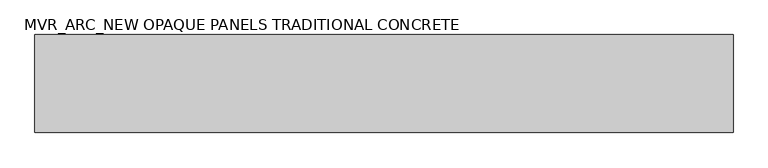
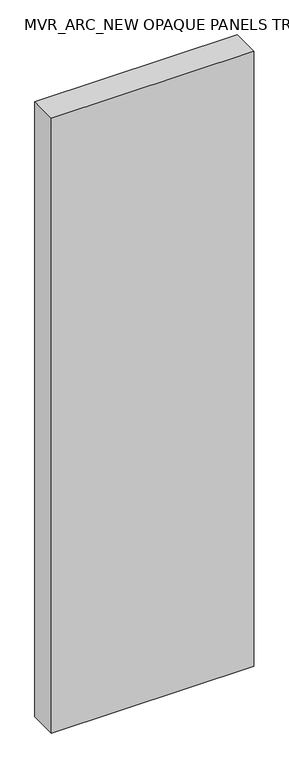
"""IFC4 building model written with IfcOpenShell, lengths in millimetres: plate geometry, MVR_ARC_NEW OPAQUE PANELS TRADITIONAL CONCRETE."""

from ifc_helpers import new_model, si_unit, origin, origin_with_axes, place, context, project, spatial, polyline, outline, extrude, source, transform, mapped, element, save


def mvr_arc_new_opaque_panels_traditional_concrete_4e8b2761(model_context):
    return source(origin(), model_context, "Body", "SweptSolid", [
        extrude(outline(polyline([(747.6308134, -150.0), (-747.6308134, -150.0), (-747.6308134, 60.0), (747.6308134, 60.0), (747.6308134, -150.0)])), origin_with_axes(), (0.0, 0.0, 1.0), 4800.0),
    ])


if __name__ == "__main__":
    model = new_model("IFC4")
    model_context = context("Model", 3, world=origin())
    ifc_project = project(units=[si_unit("LENGTHUNIT", "METRE", prefix="MILLI")], contexts=[model_context])
    site = spatial("IfcSite", under=ifc_project)
    building = spatial("IfcBuilding", under=site)
    placement = place(None, origin())
    mvr_arc_new_opaque_panels_traditional_concrete_shape = mvr_arc_new_opaque_panels_traditional_concrete_4e8b2761(model_context)
    element("IfcPlate", 1, ObjectType="MVR_ARC_NEW OPAQUE PANELS TRADITIONAL CONCRETE", at=placement, inside=building, context=model_context, shape_type="MappedRepresentation", body=[
        mapped(mvr_arc_new_opaque_panels_traditional_concrete_shape, transform((0.0, 0.0, 0.0), x_axis=(1.0, 0.0, 0.0), y_axis=(0.0, 1.0, 0.0), z_axis=(0.0, 0.0, 1.0))),
    ])
    save(model, "model.ifc")
